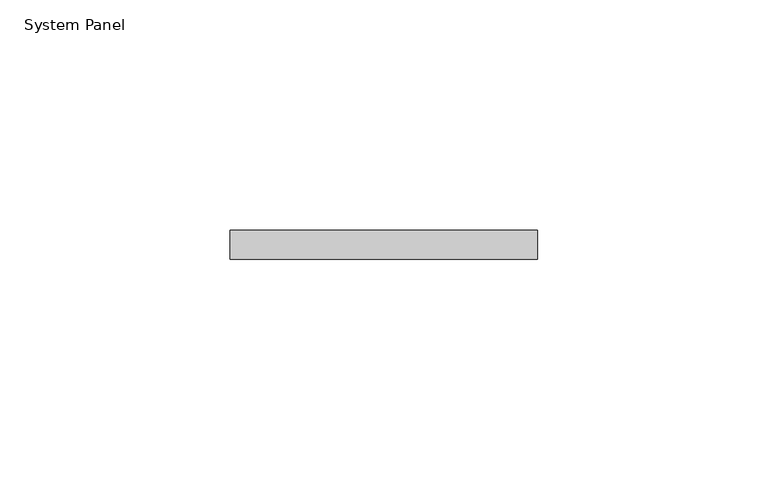
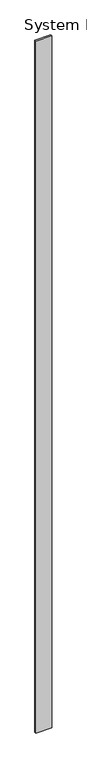
"""IFC4 building model written with IfcOpenShell, lengths in millimetres: plate geometry, System Panel."""

from ifc_helpers import new_model, si_unit, origin, origin_with_axes, place, context, project, spatial, polyline, outline, extrude, source, transform, mapped, element, save


def system_panel_5f8c567e(model_context):
    return source(origin(), model_context, "Body", "SweptSolid", [
        extrude(outline(polyline([(33.4429211, 0.0), (-33.4429211, 0.0), (-33.4429211, 6.35), (33.4429211, 6.35), (33.4429211, 0.0)])), origin_with_axes(), (0.0, 0.0, 1.0), 3048.0),
    ])


if __name__ == "__main__":
    model = new_model("IFC4")
    model_context = context("Model", 3, world=origin())
    ifc_project = project(units=[si_unit("LENGTHUNIT", "METRE", prefix="MILLI")], contexts=[model_context])
    site = spatial("IfcSite", under=ifc_project)
    building = spatial("IfcBuilding", under=site)
    placement = place(None, origin())
    system_panel_shape = system_panel_5f8c567e(model_context)
    element("IfcPlate", 1, ObjectType="System Panel", at=placement, inside=building, context=model_context, shape_type="MappedRepresentation", body=[
        mapped(system_panel_shape, transform((0.0, 0.0, 0.0), x_axis=(1.0, 0.0, 0.0), y_axis=(0.0, 1.0, 0.0), z_axis=(0.0, 0.0, 1.0))),
    ])
    save(model, "model.ifc")
